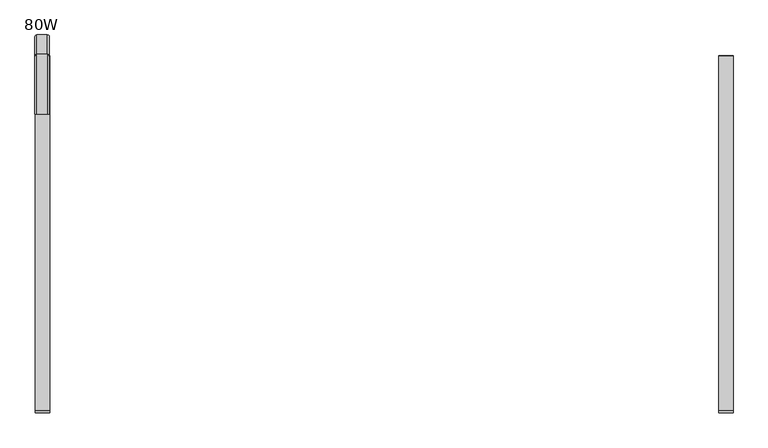
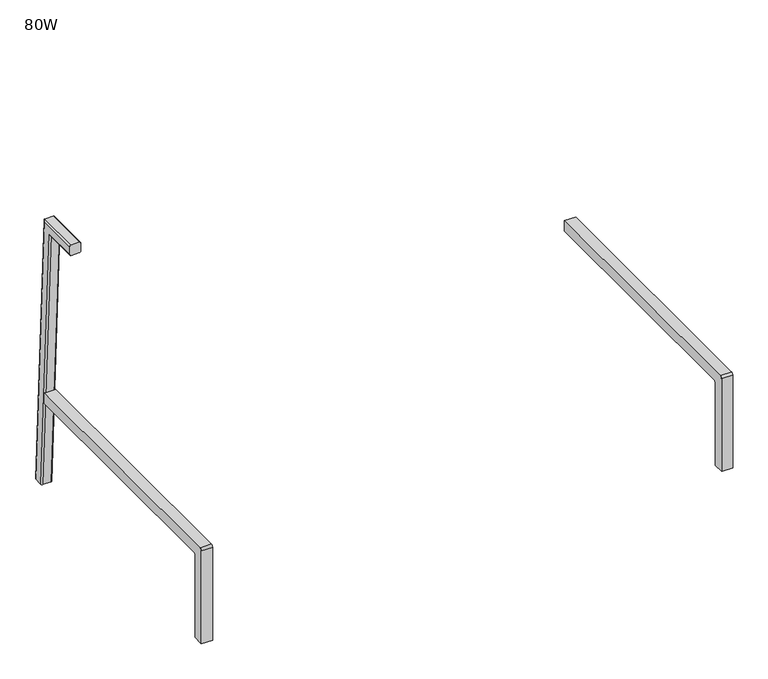
"""IFC4 building model written with IfcOpenShell, lengths in millimetres: furniture geometry, 80W."""

from ifc_helpers import new_model, si_unit, point, frame, frame_2d, origin, place, context, project, spatial, polyline, circle_curve, ellipse_curve, trimmed, segment, composite_curve, outline, extrude, source, transform, mapped, element, save
from ifc_brep_helpers import plane_surface, cylinder_surface, advanced_brep


def furniture_80w_4bf0d956(model_context):
    return source(origin(), model_context, "Body", "SolidModel", [
        advanced_brep(
        [(396.1570373, -140.07523, 663.2784096), (377.7492127, -140.07523, 663.2784096), (374.3130373, -140.07523, 659.8422341), (374.3130373, -140.07523, 641.4532189), (377.8315032, -140.07523, 637.934753), (396.1570373, -140.07523, 637.934753), (399.7130373, -140.07523, 641.490753), (399.7130373, -140.07523, 659.7224096), (396.1570373, -35.6046233, 663.2784096), (377.7492127, -35.6046233, 663.2784096), (374.3130373, -38.865432, 659.8422341), (374.3130373, -5.0770082, 15.1207003), (374.3130373, -23.4408219, 14.1582936), (374.3130373, -56.3159558, 641.4532189), (377.8315032, -59.6548553, 637.934753), (396.1570373, -59.6548553, 637.934753), (399.7130373, -56.2803373, 641.490753), (399.7130373, -23.4033392, 14.160258), (399.7130373, -5.1966685, 15.1144291), (399.7130373, -38.9791413, 659.7224096), (396.1570373, -1.6455419, 15.3005358), (396.1570373, -26.9544658, 13.9741513), (377.8315032, -26.9544658, 13.9741513), (377.7492127, -1.6455419, 15.3005358)],
        [
            (0, 1),
            (1, 2, circle_curve(frame((377.7492127, -140.07523, 659.8422341), z_axis=(0.0, -1.0, 0.0), x_axis=(0.0, 0.0, -1.0)), 3.4361755)),
            (2, 3),
            (3, 4, circle_curve(frame((377.8315032, -140.07523, 641.4532189), z_axis=(0.0, -1.0, 0.0), x_axis=(0.0, 0.0, -1.0)), 3.5184659)),
            (4, 5),
            (5, 6, circle_curve(frame((396.1570373, -140.07523, 641.490753), z_axis=(0.0, -1.0, 0.0), x_axis=(0.0, 0.0, -1.0)), 3.556)),
            (6, 7),
            (7, 0, circle_curve(frame((396.1570373, -140.07523, 659.7224096), z_axis=(0.0, -1.0, 0.0), x_axis=(0.0, 0.0, -1.0)), 3.556)),
            (0, 8),
            (8, 9),
            (9, 1),
            (9, 10, ellipse_curve(frame((377.7492127, -38.865432, 659.8422341), z_axis=(0.0, -0.7253743710122903, 0.6883545756937509), x_axis=(0.0, -0.6883545756937512, -0.7253743710122902)), 4.7371062, 3.4361755)),
            (10, 2),
            (10, 11),
            (11, 12),
            (12, 13),
            (13, 3),
            (13, 14, ellipse_curve(frame((377.8315032, -56.3159558, 641.4532189), z_axis=(0.0, -0.7253743710122903, 0.6883545756937509), x_axis=(0.0, -0.6883545756937512, -0.7253743710122902)), 4.8505517, 3.5184659)),
            (14, 4),
            (14, 15),
            (15, 5),
            (15, 16, ellipse_curve(frame((396.1570373, -56.2803373, 641.490753), z_axis=(0.0, -0.7253743710122903, 0.6883545756937509), x_axis=(0.0, -0.6883545756937512, -0.7253743710122902)), 4.9022962, 3.556)),
            (16, 6),
            (16, 17),
            (17, 18),
            (18, 19),
            (19, 7),
            (19, 8, ellipse_curve(frame((396.1570373, -38.9791413, 659.7224096), z_axis=(0.0, -0.7253743710122903, 0.6883545756937509), x_axis=(0.0, -0.6883545756937512, -0.7253743710122902)), 4.9022962, 3.556)),
            (20, 18, circle_curve(frame((396.1570373, -5.1966685, 15.1144291), z_axis=(0.0, 0.052335956242948733, -0.9986295347545737), x_axis=(0.0, -0.9986295347545737, -0.052335956242948733)), 3.556)),
            (17, 21, circle_curve(frame((396.1570373, -23.4033392, 14.160258), z_axis=(0.0, 0.052335956242948733, -0.9986295347545737), x_axis=(0.0, -0.9986295347545737, -0.052335956242948733)), 3.556)),
            (21, 22),
            (22, 12, circle_curve(frame((377.8315032, -23.4408219, 14.1582936), z_axis=(0.0, 0.052335956242948733, -0.9986295347545737), x_axis=(0.0, -0.9986295347545737, -0.052335956242948733)), 3.5184659)),
            (11, 23, circle_curve(frame((377.7492127, -5.0770082, 15.1207003), z_axis=(0.0, 0.052335956242948733, -0.9986295347545737), x_axis=(0.0, -0.9986295347545737, -0.052335956242948733)), 3.4361755)),
            (23, 20),
            (8, 20),
            (23, 9),
            (22, 14),
            (21, 15),
        ],
        [
            plane_surface(frame((387.2755006, -140.07523, 663.2784096), z_axis=(0.0, -1.0, 0.0), x_axis=(-1.0, 0.0, 0.0))),
            plane_surface(frame((396.1570373, -140.07523, 663.2784096), z_axis=(0.0, 0.0, 1.0), x_axis=(0.0, 1.0, 0.0))),
            cylinder_surface(frame((377.7492127, -140.07523, 659.8422341), z_axis=(0.0, -1.0, 0.0), x_axis=(0.0, 0.0, -1.0)), 3.4361755),
            plane_surface(frame((374.3130373, -140.07523, 659.8422341), z_axis=(-1.0, 0.0, 0.0), x_axis=(0.0, 1.0, 0.0))),
            cylinder_surface(frame((377.8315032, -140.07523, 641.4532189), z_axis=(0.0, -1.0, 0.0), x_axis=(0.0, 0.0, -1.0)), 3.5184659),
            plane_surface(frame((377.8315032, -140.07523, 637.934753), z_axis=(0.0, 0.0, -1.0), x_axis=(0.0, 1.0, 0.0))),
            cylinder_surface(frame((396.1570373, -140.07523, 641.490753), z_axis=(0.0, -1.0, 0.0), x_axis=(0.0, 0.0, -1.0)), 3.556),
            plane_surface(frame((399.7130373, -140.07523, 641.490753), z_axis=(1.0, 0.0, 0.0), x_axis=(0.0, 1.0, 0.0))),
            cylinder_surface(frame((396.1570373, -140.07523, 659.7224096), z_axis=(0.0, -1.0, 0.0), x_axis=(0.0, 0.0, -1.0)), 3.556),
            plane_surface(frame((387.2755006, -1.6455419, 15.3005358), z_axis=(0.0, 0.0523359562429453, -0.9986295347545738), x_axis=(-1.0, 0.0, 0.0))),
            plane_surface(frame((396.1570373, -35.6046233, 663.2784096), z_axis=(0.0, 0.9986295347545738, 0.05233595624294531), x_axis=(0.0, 0.05233595624294531, -0.9986295347545738))),
            cylinder_surface(frame((377.7492127, -39.0360896, 663.098574), z_axis=(0.0, -0.052335956242948733, 0.9986295347545737), x_axis=(0.0, -0.9986295347545737, -0.052335956242948733)), 3.4361755),
            cylinder_surface(frame((377.8315032, -57.3999032, 662.1361674), z_axis=(0.0, -0.052335956242948733, 0.9986295347545737), x_axis=(0.0, -0.9986295347545737, -0.052335956242948733)), 3.5184659),
            plane_surface(frame((377.8315032, -59.6548553, 637.934753), z_axis=(0.0, -0.9986295347545738, -0.052335956242945326), x_axis=(0.0, 0.052335956242945326, -0.9986295347545738))),
            cylinder_surface(frame((396.1570373, -57.3624206, 662.1381317), z_axis=(0.0, -0.052335956242948733, 0.9986295347545737), x_axis=(0.0, -0.9986295347545737, -0.052335956242948733)), 3.556),
            cylinder_surface(frame((396.1570373, -39.1557499, 663.0923029), z_axis=(0.0, -0.052335956242948733, 0.9986295347545737), x_axis=(0.0, -0.9986295347545737, -0.052335956242948733)), 3.556),
        ],
        [
            (0, [[1, 2, 3, 4, 5, 6, 7, 8]]),
            (1, [[-1, 9, 10, 11]]),
            (2, [[-2, -11, 12, 13]]),
            (3, [[-3, -13, 14, 15, 16, 17]]),
            (4, [[-4, -17, 18, 19]]),
            (5, [[-5, -19, 20, 21]]),
            (6, [[-6, -21, 22, 23]]),
            (7, [[-7, -23, 24, 25, 26, 27]]),
            (8, [[-8, -27, 28, -9]]),
            (9, [[29, -25, 30, 31, 32, -15, 33, 34]]),
            (10, [[-10, 35, -34, 36]]),
            (11, [[-12, -36, -33, -14]]),
            (12, [[-18, -16, -32, 37]]),
            (13, [[-20, -37, -31, 38]]),
            (14, [[-22, -38, -30, -24]]),
            (15, [[-28, -26, -29, -35]]),
        ],
    ),
        extrude(outline(composite_curve([segment(polyline([(-662.1146725, 14.1031489), (-662.1146725, 239.2936032)]), True, "CONTINUOUS"), segment(trimmed(circle_curve(frame_2d((-657.234081, 239.2936032)), 4.8805915), [point((-662.1146725, 239.2936032))], [point((-657.234081, 244.1741947))], False, "CARTESIAN"), True, "CONTINUOUS"), segment(polyline([(-657.234081, 244.1741947), (-39.0060493, 244.1741947), (-37.7444469, 218.7742432), (-633.6487025, 218.7742432)]), True, "CONTINUOUS"), segment(trimmed(circle_curve(frame_2d((-633.6487025, 215.7082732)), 3.06597), [point((-633.6487025, 218.7742432))], [point((-636.7146725, 215.7082732))], True, "CARTESIAN"), True, "CONTINUOUS"), segment(polyline([(-636.7146725, 215.7082732), (-636.7146725, 14.1031489), (-662.1146725, 14.1031489)]), True, "CONTINUOUS")], self_intersect=False)), frame((374.5755006, 0.0, 0.0), z_axis=(1.0, 0.0, 0.0), x_axis=(0.0, 1.0, 0.0)), (0.0, 0.0, 1.0), 25.4),
        extrude(outline(composite_curve([segment(polyline([(-662.1146725, 14.1031489), (-662.1146725, 239.2936032)]), True, "CONTINUOUS"), segment(trimmed(circle_curve(frame_2d((-657.234081, 239.2936032)), 4.8805915), [point((-662.1146725, 239.2936032))], [point((-657.234081, 244.1741947))], False, "CARTESIAN"), True, "CONTINUOUS"), segment(polyline([(-657.234081, 244.1741947), (-39.0060493, 244.1741947), (-37.7444469, 218.7742432), (-633.6487025, 218.7742432)]), True, "CONTINUOUS"), segment(trimmed(circle_curve(frame_2d((-633.6487025, 215.7082732)), 3.06597), [point((-633.6487025, 218.7742432))], [point((-636.7146725, 215.7082732))], True, "CARTESIAN"), True, "CONTINUOUS"), segment(polyline([(-636.7146725, 215.7082732), (-636.7146725, 14.1031489), (-662.1146725, 14.1031489)]), True, "CONTINUOUS")], self_intersect=False)), frame((1567.18, 0.0, 0.0), z_axis=(1.0, 0.0, 0.0), x_axis=(0.0, 1.0, 0.0)), (0.0, 0.0, 1.0), 25.4),
    ])


if __name__ == "__main__":
    model = new_model("IFC4")
    model_context = context("Model", 3, world=origin())
    ifc_project = project(units=[si_unit("LENGTHUNIT", "METRE", prefix="MILLI")], contexts=[model_context])
    site = spatial("IfcSite", under=ifc_project)
    building = spatial("IfcBuilding", under=site)
    placement = place(None, origin())
    furniture_80w_shape = furniture_80w_4bf0d956(model_context)
    element("IfcFurniture", 1, ObjectType="80W", at=placement, inside=building, context=model_context, shape_type="MappedRepresentation", body=[
        mapped(furniture_80w_shape, transform((0.0, 0.0, 0.0), x_axis=(1.0, 0.0, 0.0), y_axis=(0.0, 1.0, 0.0), z_axis=(0.0, 0.0, 1.0))),
    ])
    save(model, "model.ifc")
